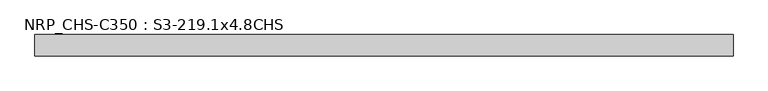
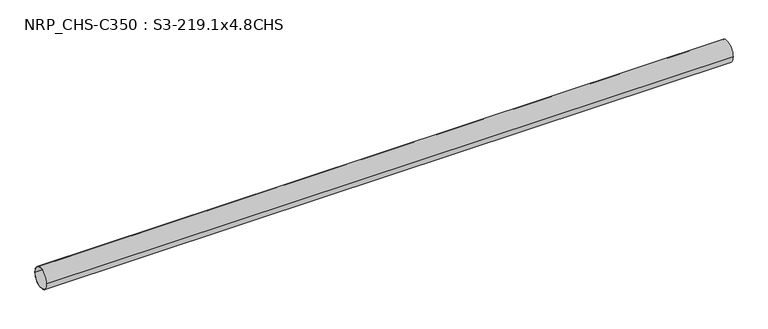
"""IFC4 building model written with IfcOpenShell, lengths in millimetres: beam geometry, NRP_CHS-C350 : S3-219.1x4.8CHS."""

from ifc_helpers import new_model, si_unit, point, frame, origin, origin_2d, place, context, project, spatial, circle_curve, trimmed, segment, composite_curve, outline, extrude, source, transform, mapped, element, save


def nrp_chs_c350_s3_219_1x4_8chs_ade7b4e8(model_context):
    return source(origin(), model_context, "Body", "SweptSolid", [
        extrude(outline(composite_curve([segment(trimmed(circle_curve(origin_2d(), 109.55), [point((-109.55, 0.0))], [point((109.55, 0.0))], False, "CARTESIAN"), True, "CONTINUOUS"), segment(trimmed(circle_curve(origin_2d(), 109.55), [point((109.55, 0.0))], [point((-109.55, 0.0))], False, "CARTESIAN"), True, "CONTINUOUS")], self_intersect=False), holes=[composite_curve([segment(trimmed(circle_curve(origin_2d(), 104.75), [point((104.75, 0.0))], [point((-104.75, 0.0))], True, "CARTESIAN"), True, "CONTINUOUS"), segment(trimmed(circle_curve(origin_2d(), 104.75), [point((-104.75, 0.0))], [point((104.75, 0.0))], True, "CARTESIAN"), True, "CONTINUOUS")], self_intersect=False)]), frame((-3575.05, 0.0, 0.0), z_axis=(1.0, 0.0, 0.0), x_axis=(0.0, 1.0, 0.0)), (0.0, 0.0, 1.0), 7178.4),
    ])


if __name__ == "__main__":
    model = new_model("IFC4")
    model_context = context("Model", 3, world=origin())
    ifc_project = project(units=[si_unit("LENGTHUNIT", "METRE", prefix="MILLI")], contexts=[model_context])
    site = spatial("IfcSite", under=ifc_project)
    building = spatial("IfcBuilding", under=site)
    placement = place(None, origin())
    nrp_chs_c350_s3_219_1x4_8chs_shape = nrp_chs_c350_s3_219_1x4_8chs_ade7b4e8(model_context)
    element("IfcBeam", 1, ObjectType="NRP_CHS-C350 : S3-219.1x4.8CHS", at=placement, inside=building, context=model_context, shape_type="MappedRepresentation", body=[
        mapped(nrp_chs_c350_s3_219_1x4_8chs_shape, transform((0.0, 0.0, 0.0), x_axis=(1.0, 0.0, 0.0), y_axis=(0.0, 1.0, 0.0), z_axis=(0.0, 0.0, 1.0))),
    ])
    save(model, "model.ifc")
